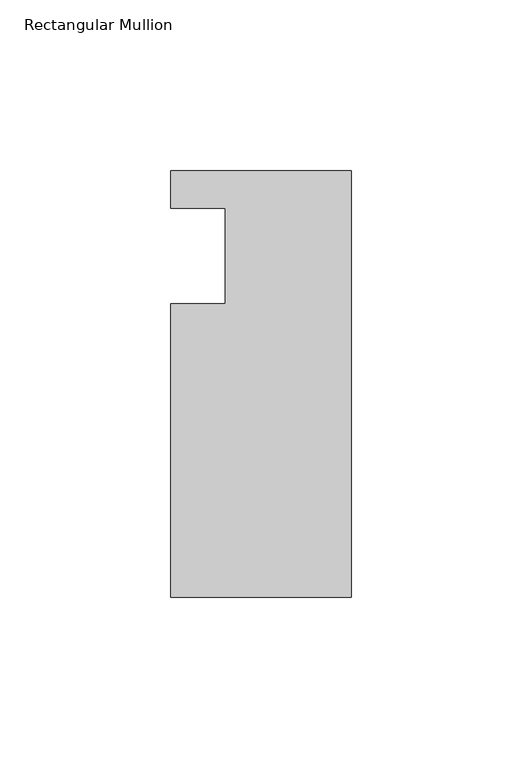
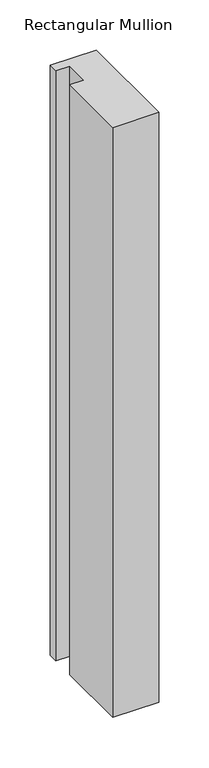
"""IFC4 building model written with IfcOpenShell, lengths in millimetres: member geometry, Rectangular Mullion."""

from ifc_helpers import new_model, si_unit, frame, origin, place, context, project, spatial, polyline, outline, extrude, source, transform, mapped, element, save


def rectangular_mullion_2d00c36a(model_context):
    return source(origin(), model_context, "Body", "SweptSolid", [
        extrude(outline(polyline([(0.0, 25.0), (0.0, -100.0), (-53.0, -100.0), (-53.0, -14.0), (-37.0, -14.0), (-37.0, 14.0), (-53.0, 14.0), (-53.0, 25.0), (0.0, 25.0)])), frame((0.0, 0.0, -718.9850736), z_axis=(0.0, 0.0, 1.0), x_axis=(1.0, 0.0, 0.0)), (0.0, 0.0, 1.0), 718.9850736),
    ])


if __name__ == "__main__":
    model = new_model("IFC4")
    model_context = context("Model", 3, world=origin())
    ifc_project = project(units=[si_unit("LENGTHUNIT", "METRE", prefix="MILLI")], contexts=[model_context])
    site = spatial("IfcSite", under=ifc_project)
    building = spatial("IfcBuilding", under=site)
    placement = place(None, origin())
    rectangular_mullion_shape = rectangular_mullion_2d00c36a(model_context)
    element("IfcMember", 1, ObjectType="Rectangular Mullion", at=placement, inside=building, context=model_context, shape_type="MappedRepresentation", body=[
        mapped(rectangular_mullion_shape, transform((0.0, 0.0, 0.0), x_axis=(1.0, 0.0, 0.0), y_axis=(0.0, 1.0, 0.0), z_axis=(0.0, 0.0, 1.0))),
    ])
    save(model, "model.ifc")
